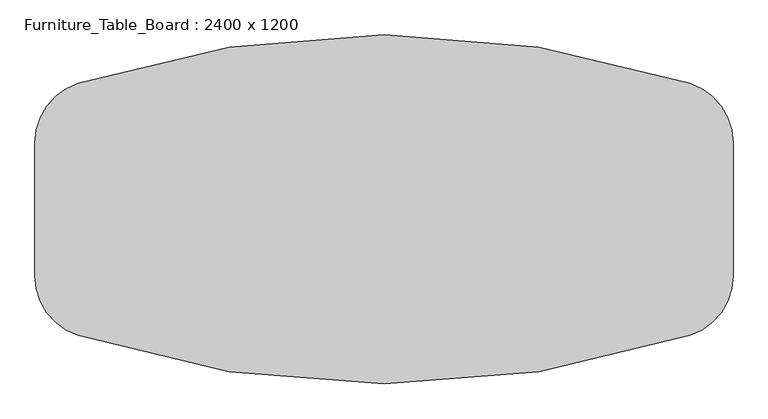
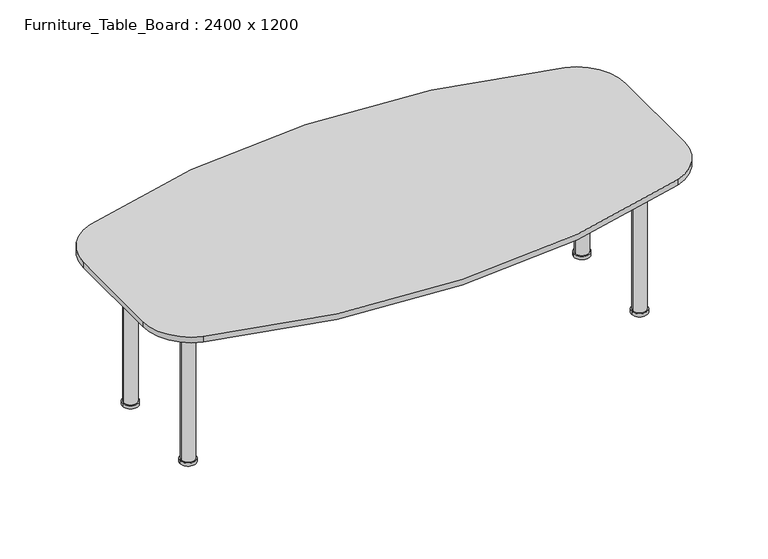
"""IFC4 building model written with IfcOpenShell, lengths in millimetres: furniture geometry, Furniture_Table_Board : 2400 x 1200."""

from ifc_helpers import new_model, si_unit, point, frame, frame_2d, origin, origin_with_axes, place, context, project, spatial, polyline, circle_curve, trimmed, segment, composite_curve, outline, extrude, source, transform, mapped, element, save
from ifc_brep_helpers import plane_surface, cylinder_surface, revolved_surface, advanced_brep


def furniture_table_board_2400_x_1200_9d407503(model_context):
    return source(origin(), model_context, "Body", "SolidModel", [
        extrude(outline(composite_curve([segment(trimmed(circle_curve(frame_2d((999.8844113, 221.1741551)), 35.0), [point((1034.8844113, 221.1741551))], [point((964.8844113, 221.1741551))], False, "CARTESIAN"), True, "CONTINUOUS"), segment(trimmed(circle_curve(frame_2d((999.8844113, 221.1741551)), 35.0), [point((964.8844113, 221.1741551))], [point((1034.8844113, 221.1741551))], False, "CARTESIAN"), True, "CONTINUOUS")], self_intersect=False)), origin_with_axes(), (0.0, 0.0, 1.0), 15.0),
        advanced_brep(
        [(999.8844113, 221.1741551, 15.0), (1029.8844113, 221.1741551, 15.0), (969.8844113, 221.1741551, 15.0), (956.8844113, 221.1741551, 700.0), (1042.8844113, 221.1741551, 700.0), (999.8844113, 221.1741551, 700.0), (966.8844113, 221.1741551, 650.0), (1032.8844113, 221.1741551, 650.0), (969.8844113, 221.1741551, 650.0), (1029.8844113, 221.1741551, 650.0)],
        [
            (0, 1),
            (1, 2, circle_curve(frame((999.8844113, 221.1741551, 15.0), z_axis=(0.0, 0.0, -1.0), x_axis=(1.0, 0.0, 0.0)), 30.0)),
            (2, 0),
            (2, 1, circle_curve(frame((999.8844113, 221.1741551, 15.0), z_axis=(0.0, 0.0, -1.0), x_axis=(1.0, 0.0, 0.0)), 30.0)),
            (3, 4, circle_curve(frame((999.8844113, 221.1741551, 700.0), z_axis=(0.0, 0.0, 1.0), x_axis=(1.0, 0.0, 0.0)), 43.0)),
            (4, 5),
            (5, 3),
            (4, 3, circle_curve(frame((999.8844113, 221.1741551, 700.0), z_axis=(0.0, 0.0, 1.0), x_axis=(1.0, 0.0, 0.0)), 43.0)),
            (6, 7, circle_curve(frame((999.8844113, 221.1741551, 650.0), z_axis=(0.0, 0.0, 1.0), x_axis=(1.0, 0.0, 0.0)), 33.0)),
            (7, 4),
            (3, 6),
            (7, 6, circle_curve(frame((999.8844113, 221.1741551, 650.0), z_axis=(0.0, 0.0, 1.0), x_axis=(1.0, 0.0, 0.0)), 33.0)),
            (8, 9, circle_curve(frame((999.8844113, 221.1741551, 650.0), z_axis=(0.0, 0.0, 1.0), x_axis=(1.0, 0.0, 0.0)), 30.0)),
            (9, 7),
            (6, 8),
            (9, 8, circle_curve(frame((999.8844113, 221.1741551, 650.0), z_axis=(0.0, 0.0, 1.0), x_axis=(1.0, 0.0, 0.0)), 30.0)),
            (1, 9),
            (8, 2),
        ],
        [
            plane_surface(frame((999.8844113, 221.1741551, 15.0), z_axis=(0.0, 0.0, -1.0), x_axis=(1.0, 0.0, 0.0))),
            plane_surface(frame((999.8844113, 221.1741551, 700.0), z_axis=(0.0, 0.0, 1.0), x_axis=(1.0, 0.0, 0.0))),
            revolved_surface(polyline([(1042.8844113, 221.1741551, 700.0), (1032.8844113, 221.1741551, 650.0)]), (999.8844113, 221.1741551, 15.0), (0.0, 0.0, -1.0)),
            plane_surface(frame((999.8844113, 221.1741551, 650.0), z_axis=(0.0, 0.0, -1.0), x_axis=(1.0, 0.0, 0.0))),
            cylinder_surface(frame((999.8844113, 221.1741551, 15.0), z_axis=(0.0, 0.0, -1.0), x_axis=(1.0, 0.0, 0.0)), 30.0),
        ],
        [
            (0, [[1, 2, 3]]),
            (0, [[-3, 4, -1]]),
            (1, [[5, 6, 7]]),
            (1, [[8, -7, -6]]),
            (2, [[9, 10, -5, 11]]),
            (2, [[12, -11, -8, -10]]),
            (3, [[13, 14, -9, 15]]),
            (3, [[16, -15, -12, -14]]),
            (4, [[-2, 17, -13, 18]]),
            (4, [[-4, -18, -16, -17]]),
        ],
    ),
        extrude(outline(composite_curve([segment(trimmed(circle_curve(frame_2d((999.8844113, -221.1741551)), 35.0), [point((1034.8844113, -221.1741551))], [point((964.8844113, -221.1741551))], False, "CARTESIAN"), True, "CONTINUOUS"), segment(trimmed(circle_curve(frame_2d((999.8844113, -221.1741551)), 35.0), [point((964.8844113, -221.1741551))], [point((1034.8844113, -221.1741551))], False, "CARTESIAN"), True, "CONTINUOUS")], self_intersect=False)), origin_with_axes(), (0.0, 0.0, 1.0), 15.0),
        advanced_brep(
        [(999.8844113, -221.1741551, 15.0), (969.8844113, -221.1741551, 15.0), (1029.8844113, -221.1741551, 15.0), (956.8844113, -221.1741551, 700.0), (999.8844113, -221.1741551, 700.0), (1042.8844113, -221.1741551, 700.0), (966.8844113, -221.1741551, 650.0), (1032.8844113, -221.1741551, 650.0), (969.8844113, -221.1741551, 650.0), (1029.8844113, -221.1741551, 650.0)],
        [
            (0, 1),
            (1, 2, circle_curve(frame((999.8844113, -221.1741551, 15.0), z_axis=(0.0, 0.0, -1.0), x_axis=(1.0, 0.0, 0.0)), 30.0)),
            (2, 0),
            (2, 1, circle_curve(frame((999.8844113, -221.1741551, 15.0), z_axis=(0.0, 0.0, -1.0), x_axis=(1.0, 0.0, 0.0)), 30.0)),
            (3, 4),
            (4, 5),
            (5, 3, circle_curve(frame((999.8844113, -221.1741551, 700.0), z_axis=(0.0, 0.0, 1.0), x_axis=(1.0, 0.0, 0.0)), 43.0)),
            (3, 5, circle_curve(frame((999.8844113, -221.1741551, 700.0), z_axis=(0.0, 0.0, 1.0), x_axis=(1.0, 0.0, 0.0)), 43.0)),
            (6, 3),
            (5, 7),
            (7, 6, circle_curve(frame((999.8844113, -221.1741551, 650.0), z_axis=(0.0, 0.0, 1.0), x_axis=(1.0, 0.0, 0.0)), 33.0)),
            (6, 7, circle_curve(frame((999.8844113, -221.1741551, 650.0), z_axis=(0.0, 0.0, 1.0), x_axis=(1.0, 0.0, 0.0)), 33.0)),
            (8, 6),
            (7, 9),
            (9, 8, circle_curve(frame((999.8844113, -221.1741551, 650.0), z_axis=(0.0, 0.0, 1.0), x_axis=(1.0, 0.0, 0.0)), 30.0)),
            (8, 9, circle_curve(frame((999.8844113, -221.1741551, 650.0), z_axis=(0.0, 0.0, 1.0), x_axis=(1.0, 0.0, 0.0)), 30.0)),
            (1, 8),
            (9, 2),
        ],
        [
            plane_surface(frame((999.8844113, -221.1741551, 15.0), z_axis=(0.0, 0.0, -1.0), x_axis=(1.0, 0.0, 0.0))),
            plane_surface(frame((999.8844113, -221.1741551, 700.0), z_axis=(0.0, 0.0, 1.0), x_axis=(1.0, 0.0, 0.0))),
            revolved_surface(polyline([(1042.8844113, -221.1741551, 700.0), (1032.8844113, -221.1741551, 650.0)]), (999.8844113, -221.1741551, 15.0), (0.0, 0.0, -1.0)),
            plane_surface(frame((999.8844113, -221.1741551, 650.0), z_axis=(0.0, 0.0, -1.0), x_axis=(1.0, 0.0, 0.0))),
            cylinder_surface(frame((999.8844113, -221.1741551, 15.0), z_axis=(0.0, 0.0, -1.0), x_axis=(1.0, 0.0, 0.0)), 30.0),
        ],
        [
            (0, [[1, 2, 3]]),
            (0, [[-3, 4, -1]]),
            (1, [[5, 6, 7]]),
            (1, [[-6, -5, 8]]),
            (2, [[9, -7, 10, 11]]),
            (2, [[-10, -8, -9, 12]]),
            (3, [[13, -11, 14, 15]]),
            (3, [[-14, -12, -13, 16]]),
            (4, [[17, -15, 18, -2]]),
            (4, [[-18, -16, -17, -4]]),
        ],
    ),
        extrude(outline(composite_curve([segment(trimmed(circle_curve(frame_2d((-999.8844113, 221.1741551)), 35.0), [point((-1034.8844113, 221.1741551))], [point((-964.8844113, 221.1741551))], False, "CARTESIAN"), True, "CONTINUOUS"), segment(trimmed(circle_curve(frame_2d((-999.8844113, 221.1741551)), 35.0), [point((-964.8844113, 221.1741551))], [point((-1034.8844113, 221.1741551))], False, "CARTESIAN"), True, "CONTINUOUS")], self_intersect=False)), origin_with_axes(), (0.0, 0.0, 1.0), 15.0),
        advanced_brep(
        [(-999.8844113, 221.1741551, 15.0), (-969.8844113, 221.1741551, 15.0), (-1029.8844113, 221.1741551, 15.0), (-956.8844113, 221.1741551, 700.0), (-999.8844113, 221.1741551, 700.0), (-1042.8844113, 221.1741551, 700.0), (-966.8844113, 221.1741551, 650.0), (-1032.8844113, 221.1741551, 650.0), (-969.8844113, 221.1741551, 650.0), (-1029.8844113, 221.1741551, 650.0)],
        [
            (0, 1),
            (1, 2, circle_curve(frame((-999.8844113, 221.1741551, 15.0), z_axis=(0.0, 0.0, -1.0), x_axis=(-1.0, 0.0, 0.0)), 30.0)),
            (2, 0),
            (2, 1, circle_curve(frame((-999.8844113, 221.1741551, 15.0), z_axis=(0.0, 0.0, -1.0), x_axis=(-1.0, 0.0, 0.0)), 30.0)),
            (3, 4),
            (4, 5),
            (5, 3, circle_curve(frame((-999.8844113, 221.1741551, 700.0), z_axis=(0.0, 0.0, 1.0), x_axis=(-1.0, 0.0, 0.0)), 43.0)),
            (3, 5, circle_curve(frame((-999.8844113, 221.1741551, 700.0), z_axis=(0.0, 0.0, 1.0), x_axis=(-1.0, 0.0, 0.0)), 43.0)),
            (6, 3),
            (5, 7),
            (7, 6, circle_curve(frame((-999.8844113, 221.1741551, 650.0), z_axis=(0.0, 0.0, 1.0), x_axis=(-1.0, 0.0, 0.0)), 33.0)),
            (6, 7, circle_curve(frame((-999.8844113, 221.1741551, 650.0), z_axis=(0.0, 0.0, 1.0), x_axis=(-1.0, 0.0, 0.0)), 33.0)),
            (8, 6),
            (7, 9),
            (9, 8, circle_curve(frame((-999.8844113, 221.1741551, 650.0), z_axis=(0.0, 0.0, 1.0), x_axis=(-1.0, 0.0, 0.0)), 30.0)),
            (8, 9, circle_curve(frame((-999.8844113, 221.1741551, 650.0), z_axis=(0.0, 0.0, 1.0), x_axis=(-1.0, 0.0, 0.0)), 30.0)),
            (1, 8),
            (9, 2),
        ],
        [
            plane_surface(frame((-999.8844113, 221.1741551, 15.0), z_axis=(0.0, 0.0, -1.0), x_axis=(-1.0, 0.0, 0.0))),
            plane_surface(frame((-999.8844113, 221.1741551, 700.0), z_axis=(0.0, 0.0, 1.0), x_axis=(-1.0, 0.0, 0.0))),
            revolved_surface(polyline([(-1042.8844113, 221.1741551, 700.0), (-1032.8844113, 221.1741551, 650.0)]), (-999.8844113, 221.1741551, 15.0), (0.0, 0.0, -1.0)),
            plane_surface(frame((-999.8844113, 221.1741551, 650.0), z_axis=(0.0, 0.0, -1.0), x_axis=(-1.0, 0.0, 0.0))),
            cylinder_surface(frame((-999.8844113, 221.1741551, 15.0), z_axis=(0.0, 0.0, -1.0), x_axis=(-1.0, 0.0, 0.0)), 30.0),
        ],
        [
            (0, [[1, 2, 3]]),
            (0, [[-3, 4, -1]]),
            (1, [[5, 6, 7]]),
            (1, [[-6, -5, 8]]),
            (2, [[9, -7, 10, 11]]),
            (2, [[-10, -8, -9, 12]]),
            (3, [[13, -11, 14, 15]]),
            (3, [[-14, -12, -13, 16]]),
            (4, [[17, -15, 18, -2]]),
            (4, [[-18, -16, -17, -4]]),
        ],
    ),
        extrude(outline(composite_curve([segment(trimmed(circle_curve(frame_2d((-999.8844113, -221.1741551)), 35.0), [point((-1034.8844113, -221.1741551))], [point((-964.8844113, -221.1741551))], False, "CARTESIAN"), True, "CONTINUOUS"), segment(trimmed(circle_curve(frame_2d((-999.8844113, -221.1741551)), 35.0), [point((-964.8844113, -221.1741551))], [point((-1034.8844113, -221.1741551))], False, "CARTESIAN"), True, "CONTINUOUS")], self_intersect=False)), origin_with_axes(), (0.0, 0.0, 1.0), 15.0),
        advanced_brep(
        [(-999.8844113, -221.1741551, 15.0), (-1029.8844113, -221.1741551, 15.0), (-969.8844113, -221.1741551, 15.0), (-956.8844113, -221.1741551, 700.0), (-1042.8844113, -221.1741551, 700.0), (-999.8844113, -221.1741551, 700.0), (-966.8844113, -221.1741551, 650.0), (-1032.8844113, -221.1741551, 650.0), (-969.8844113, -221.1741551, 650.0), (-1029.8844113, -221.1741551, 650.0)],
        [
            (0, 1),
            (1, 2, circle_curve(frame((-999.8844113, -221.1741551, 15.0), z_axis=(0.0, 0.0, -1.0), x_axis=(-1.0, 0.0, 0.0)), 30.0)),
            (2, 0),
            (2, 1, circle_curve(frame((-999.8844113, -221.1741551, 15.0), z_axis=(0.0, 0.0, -1.0), x_axis=(-1.0, 0.0, 0.0)), 30.0)),
            (3, 4, circle_curve(frame((-999.8844113, -221.1741551, 700.0), z_axis=(0.0, 0.0, 1.0), x_axis=(-1.0, 0.0, 0.0)), 43.0)),
            (4, 5),
            (5, 3),
            (4, 3, circle_curve(frame((-999.8844113, -221.1741551, 700.0), z_axis=(0.0, 0.0, 1.0), x_axis=(-1.0, 0.0, 0.0)), 43.0)),
            (6, 7, circle_curve(frame((-999.8844113, -221.1741551, 650.0), z_axis=(0.0, 0.0, 1.0), x_axis=(-1.0, 0.0, 0.0)), 33.0)),
            (7, 4),
            (3, 6),
            (7, 6, circle_curve(frame((-999.8844113, -221.1741551, 650.0), z_axis=(0.0, 0.0, 1.0), x_axis=(-1.0, 0.0, 0.0)), 33.0)),
            (8, 9, circle_curve(frame((-999.8844113, -221.1741551, 650.0), z_axis=(0.0, 0.0, 1.0), x_axis=(-1.0, 0.0, 0.0)), 30.0)),
            (9, 7),
            (6, 8),
            (9, 8, circle_curve(frame((-999.8844113, -221.1741551, 650.0), z_axis=(0.0, 0.0, 1.0), x_axis=(-1.0, 0.0, 0.0)), 30.0)),
            (1, 9),
            (8, 2),
        ],
        [
            plane_surface(frame((-999.8844113, -221.1741551, 15.0), z_axis=(0.0, 0.0, -1.0), x_axis=(-1.0, 0.0, 0.0))),
            plane_surface(frame((-999.8844113, -221.1741551, 700.0), z_axis=(0.0, 0.0, 1.0), x_axis=(-1.0, 0.0, 0.0))),
            revolved_surface(polyline([(-1042.8844113, -221.1741551, 700.0), (-1032.8844113, -221.1741551, 650.0)]), (-999.8844113, -221.1741551, 15.0), (0.0, 0.0, -1.0)),
            plane_surface(frame((-999.8844113, -221.1741551, 650.0), z_axis=(0.0, 0.0, -1.0), x_axis=(-1.0, 0.0, 0.0))),
            cylinder_surface(frame((-999.8844113, -221.1741551, 15.0), z_axis=(0.0, 0.0, -1.0), x_axis=(-1.0, 0.0, 0.0)), 30.0),
        ],
        [
            (0, [[1, 2, 3]]),
            (0, [[-3, 4, -1]]),
            (1, [[5, 6, 7]]),
            (1, [[8, -7, -6]]),
            (2, [[9, 10, -5, 11]]),
            (2, [[12, -11, -8, -10]]),
            (3, [[13, 14, -9, 15]]),
            (3, [[16, -15, -12, -14]]),
            (4, [[-2, 17, -13, 18]]),
            (4, [[-4, -18, -16, -17]]),
        ],
    ),
        extrude(outline(composite_curve([segment(trimmed(circle_curve(frame_2d((0.0, -2789.1483544)), 3396.4493103), [point((-1051.3596945, 440.4817653))], [point((1051.3596945, 440.4817653))], False, "CARTESIAN"), True, "CONTINUOUS"), segment(trimmed(circle_curve(frame_2d((984.7206949, 235.776067)), 215.2793051), [point((1051.3596945, 440.4817653))], [point((1200.0, 235.776067))], False, "CARTESIAN"), True, "CONTINUOUS"), segment(polyline([(1200.0, 235.776067), (1200.0, -221.1741551)]), True, "CONTINUOUS"), segment(trimmed(circle_curve(frame_2d((984.7206949, -221.1741551)), 215.2793051), [point((1200.0, -221.1741551))], [point((1051.3596945, -425.8798535))], False, "CARTESIAN"), True, "CONTINUOUS"), segment(trimmed(circle_curve(frame_2d((0.0, 2803.7502662)), 3396.4493103), [point((1051.3596945, -425.8798535))], [point((-1051.3596945, -425.8798535))], False, "CARTESIAN"), True, "CONTINUOUS"), segment(trimmed(circle_curve(frame_2d((-984.7206949, -221.1741551)), 215.2793051), [point((-1051.3596945, -425.8798535))], [point((-1200.0, -221.1741551))], False, "CARTESIAN"), True, "CONTINUOUS"), segment(polyline([(-1200.0, -221.1741551), (-1200.0, 235.776067)]), True, "CONTINUOUS"), segment(trimmed(circle_curve(frame_2d((-984.7206949, 235.776067)), 215.2793051), [point((-1200.0, 235.776067))], [point((-1051.3596945, 440.4817653))], False, "CARTESIAN"), True, "CONTINUOUS")], self_intersect=False)), frame((0.0, 0.0, 700.0), z_axis=(0.0, 0.0, 1.0), x_axis=(1.0, 0.0, 0.0)), (0.0, 0.0, 1.0), 25.0),
    ])


if __name__ == "__main__":
    model = new_model("IFC4")
    model_context = context("Model", 3, world=origin())
    ifc_project = project(units=[si_unit("LENGTHUNIT", "METRE", prefix="MILLI")], contexts=[model_context])
    site = spatial("IfcSite", under=ifc_project)
    building = spatial("IfcBuilding", under=site)
    placement = place(None, origin())
    furniture_table_board_2400_x_1200_shape = furniture_table_board_2400_x_1200_9d407503(model_context)
    element("IfcFurniture", 1, ObjectType="Furniture_Table_Board : 2400 x 1200", at=placement, inside=building, context=model_context, shape_type="MappedRepresentation", body=[
        mapped(furniture_table_board_2400_x_1200_shape, transform((0.0, 0.0, 0.0), x_axis=(1.0, 0.0, 0.0), y_axis=(0.0, 1.0, 0.0), z_axis=(0.0, 0.0, 1.0))),
    ])
    save(model, "model.ifc")
